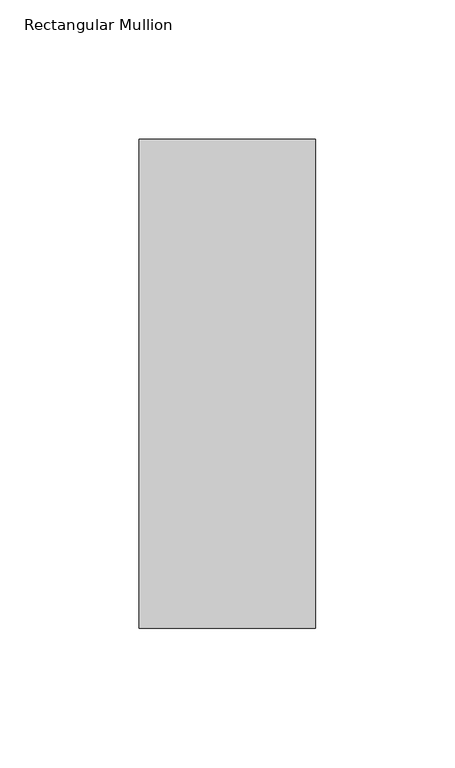
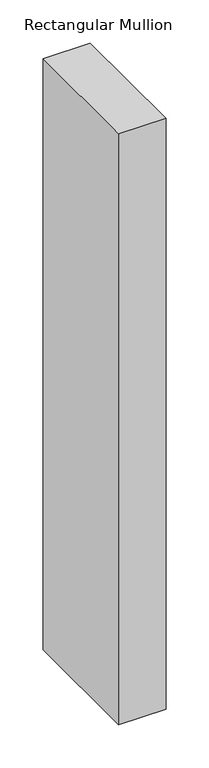
"""IFC4 building model written with IfcOpenShell, lengths in millimetres: member geometry, Rectangular Mullion."""

from ifc_helpers import new_model, si_unit, frame, origin, place, context, project, spatial, polyline, outline, extrude, source, transform, mapped, element, save


def rectangular_mullion_84a497dc(model_context):
    return source(origin(), model_context, "Body", "SweptSolid", [
        extrude(outline(polyline([(-31.75, 222.5381313), (31.75, 222.5381313), (31.75, 46.7447302), (-31.75, 46.7447302), (-31.75, 222.5381313)])), frame((0.0, 0.0, -838.2), z_axis=(0.0, 0.0, 1.0), x_axis=(1.0, 0.0, 0.0)), (0.0, 0.0, 1.0), 838.2),
    ])


if __name__ == "__main__":
    model = new_model("IFC4")
    model_context = context("Model", 3, world=origin())
    ifc_project = project(units=[si_unit("LENGTHUNIT", "METRE", prefix="MILLI")], contexts=[model_context])
    site = spatial("IfcSite", under=ifc_project)
    building = spatial("IfcBuilding", under=site)
    placement = place(None, origin())
    rectangular_mullion_shape = rectangular_mullion_84a497dc(model_context)
    element("IfcMember", 1, ObjectType="Rectangular Mullion", at=placement, inside=building, context=model_context, shape_type="MappedRepresentation", body=[
        mapped(rectangular_mullion_shape, transform((0.0, 0.0, 0.0), x_axis=(1.0, 0.0, 0.0), y_axis=(0.0, 1.0, 0.0), z_axis=(0.0, 0.0, 1.0))),
    ])
    save(model, "model.ifc")
